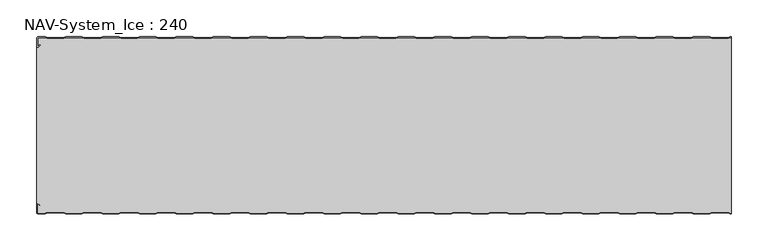
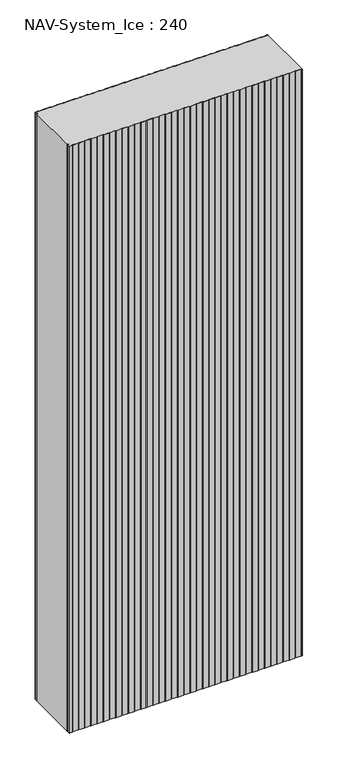
"""IFC4 building model written with IfcOpenShell, lengths in millimetres: plate geometry, NAV-System_Ice : 240."""

from ifc_helpers import new_model, si_unit, point, frame_2d, origin, origin_with_axes, place, context, project, spatial, polyline, circle_curve, trimmed, segment, composite_curve, outline, extrude, source, transform, mapped, element, save


def nav_system_ice_240_84b229b6(model_context):
    return source(origin(), model_context, "Body", "SweptSolid", [
        extrude(outline(composite_curve([segment(polyline([(469.1298221, -0.8), (466.1298221, -1.8), (443.8701779, -1.8), (440.8701779, -0.8), (419.1298221, -0.8), (416.1298221, -1.8), (393.8701779, -1.8), (390.8701779, -0.8), (369.1298221, -0.8), (366.1298221, -1.8), (343.8701779, -1.8), (340.8701779, -0.8), (319.1298221, -0.8), (316.1298221, -1.8), (293.8701779, -1.8), (290.8701779, -0.8), (269.1298221, -0.8), (266.1298221, -1.8), (243.8701779, -1.8), (240.8701779, -0.8), (219.1298221, -0.8), (216.1298221, -1.8), (193.8701779, -1.8), (190.8701779, -0.8), (169.1298221, -0.8), (166.1298221, -1.8), (143.8701779, -1.8), (140.8701779, -0.8), (119.1298221, -0.8), (116.1298221, -1.8), (93.8701779, -1.8), (90.8701779, -0.8), (69.1298221, -0.8), (66.1298221, -1.8), (43.8701779, -1.8), (40.8701779, -0.8), (19.1298221, -0.8), (16.1298221, -1.8), (-6.1298221, -1.8), (-9.1298221, -0.8), (-30.8701779, -0.8), (-33.8701779, -1.8), (-56.1298221, -1.8), (-59.1298221, -0.8), (-80.8701779, -0.8), (-83.8701779, -1.8), (-106.1298221, -1.8), (-109.1298221, -0.8), (-130.8701779, -0.8), (-133.8701779, -1.8), (-156.1298221, -1.8), (-159.1298221, -0.8), (-180.8701779, -0.8), (-183.8701779, -1.8), (-206.1298221, -1.8), (-209.1298221, -0.8), (-230.8701779, -0.8), (-233.8701779, -1.8), (-256.1298221, -1.8), (-259.1298221, -0.8), (-280.8701779, -0.8), (-283.8701779, -1.8), (-306.1298221, -1.8), (-309.1298221, -0.8), (-330.8701779, -0.8), (-333.8701779, -1.8), (-356.1298221, -1.8), (-359.1298221, -0.8), (-380.8701779, -0.8), (-383.8701779, -1.8), (-406.1298221, -1.8), (-409.1298221, -0.8), (-430.8701779, -0.8), (-433.8701779, -1.8), (-456.1298221, -1.8), (-459.1298221, -0.8), (-468.7, -0.8)]), True, "CONTINUOUS"), segment(trimmed(circle_curve(frame_2d((-468.7, -1.3)), 0.5), [point((-468.7, -0.8))], [point((-469.2, -1.3))], True, "CARTESIAN"), True, "CONTINUOUS"), segment(polyline([(-469.2, -1.3), (-469.2, -12.5857864)]), True, "CONTINUOUS"), segment(trimmed(circle_curve(frame_2d((-468.7, -12.5857864)), 0.5), [point((-469.2, -12.5857864))], [point((-468.3464466, -12.9393398))], True, "CARTESIAN"), True, "CONTINUOUS"), segment(polyline([(-468.3464466, -12.9393398), (-465.9205321, -10.5134253), (-465.3548467, -11.0791108), (-467.7807612, -13.5050253)]), True, "CONTINUOUS"), segment(trimmed(circle_curve(frame_2d((-468.7, -12.5857864)), 1.3), [point((-467.7807612, -13.5050253))], [point((-470.0, -12.5857864))], False, "CARTESIAN"), True, "CONTINUOUS"), segment(polyline([(-470.0, -12.5857864), (-470.0, -1.3)]), True, "CONTINUOUS"), segment(trimmed(circle_curve(frame_2d((-468.7, -1.3)), 1.3), [point((-470.0, -1.3))], [point((-468.7, 0.0))], False, "CARTESIAN"), True, "CONTINUOUS"), segment(polyline([(-468.7, 0.0), (-459.0, 0.0), (-456.0, -1.0), (-434.0, -1.0), (-431.0, 0.0), (-409.0, 0.0), (-406.0, -1.0), (-384.0, -1.0), (-381.0, 0.0), (-359.0, 0.0), (-356.0, -1.0), (-334.0, -1.0), (-331.0, 0.0), (-309.0, 0.0), (-306.0, -1.0), (-284.0, -1.0), (-281.0, 0.0), (-259.0, 0.0), (-256.0, -1.0), (-234.0, -1.0), (-231.0, 0.0), (-209.0, 0.0), (-206.0, -1.0), (-184.0, -1.0), (-181.0, 0.0), (-159.0, 0.0), (-156.0, -1.0), (-134.0, -1.0), (-131.0, 0.0), (-109.0, 0.0), (-106.0, -1.0), (-84.0, -1.0), (-81.0, 0.0), (-59.0, 0.0), (-56.0, -1.0), (-34.0, -1.0), (-31.0, 0.0), (-9.0, 0.0), (-6.0, -1.0), (16.0, -1.0), (19.0, 0.0), (41.0, 0.0), (44.0, -1.0), (66.0, -1.0), (69.0, 0.0), (91.0, 0.0), (94.0, -1.0), (116.0, -1.0), (119.0, 0.0), (141.0, 0.0), (144.0, -1.0), (166.0, -1.0), (169.0, 0.0), (191.0, 0.0), (194.0, -1.0), (216.0, -1.0), (219.0, 0.0), (241.0, 0.0), (244.0, -1.0), (266.0, -1.0), (269.0, 0.0), (291.0, 0.0), (294.0, -1.0), (316.0, -1.0), (319.0, 0.0), (341.0, 0.0), (344.0, -1.0), (366.0, -1.0), (369.0, 0.0), (391.0, 0.0), (394.0, -1.0), (416.0, -1.0), (419.0, 0.0), (441.0, 0.0), (444.0, -1.0), (466.0, -1.0), (469.0, 0.0), (470.0, 0.0), (470.0, -0.8), (469.1298221, -0.8)]), True, "CONTINUOUS")], self_intersect=False)), origin_with_axes(), (0.0, 0.0, 1.0), 2500.0),
        extrude(outline(composite_curve([segment(polyline([(469.1298221, -239.2), (466.1298221, -238.2), (443.8701779, -238.2), (440.8701779, -239.2), (419.1298221, -239.2), (416.1298221, -238.2), (393.8701779, -238.2), (390.8701779, -239.2), (369.1298221, -239.2), (366.1298221, -238.2), (343.8701779, -238.2), (340.8701779, -239.2), (319.1298221, -239.2), (316.1298221, -238.2), (293.8701779, -238.2), (290.8701779, -239.2), (269.1298221, -239.2), (266.1298221, -238.2), (243.8701779, -238.2), (240.8701779, -239.2), (219.1298221, -239.2), (216.1298221, -238.2), (193.8701779, -238.2), (190.8701779, -239.2), (169.1298221, -239.2), (166.1298221, -238.2), (143.8701779, -238.2), (140.8701779, -239.2), (119.1298221, -239.2), (116.1298221, -238.2), (93.8701779, -238.2), (90.8701779, -239.2), (69.1298221, -239.2), (66.1298221, -238.2), (43.8701779, -238.2), (40.8701779, -239.2), (19.1298221, -239.2), (16.1298221, -238.2), (-6.1298221, -238.2), (-9.1298221, -239.2), (-30.8701779, -239.2), (-33.8701779, -238.2), (-56.1298221, -238.2), (-59.1298221, -239.2), (-80.8701779, -239.2), (-83.8701779, -238.2), (-106.1298221, -238.2), (-109.1298221, -239.2), (-130.8701779, -239.2), (-133.8701779, -238.2), (-156.1298221, -238.2), (-159.1298221, -239.2), (-180.8701779, -239.2), (-183.8701779, -238.2), (-206.1298221, -238.2), (-209.1298221, -239.2), (-230.8701779, -239.2), (-233.8701779, -238.2), (-256.1298221, -238.2), (-259.1298221, -239.2), (-280.8701779, -239.2), (-283.8701779, -238.2), (-306.1298221, -238.2), (-309.1298221, -239.2), (-330.8701779, -239.2), (-333.8701779, -238.2), (-356.1298221, -238.2), (-359.1298221, -239.2), (-380.8701779, -239.2), (-383.8701779, -238.2), (-406.1298221, -238.2), (-409.1298221, -239.2), (-430.8701779, -239.2), (-433.8701779, -238.2), (-456.1298221, -238.2), (-459.1298221, -239.2), (-468.7, -239.2)]), True, "CONTINUOUS"), segment(trimmed(circle_curve(frame_2d((-468.7, -238.7)), 0.5), [point((-468.7, -239.2))], [point((-469.2, -238.7))], False, "CARTESIAN"), True, "CONTINUOUS"), segment(polyline([(-469.2, -238.7), (-469.2, -227.4142136)]), True, "CONTINUOUS"), segment(trimmed(circle_curve(frame_2d((-468.7, -227.4142136)), 0.5), [point((-469.2, -227.4142136))], [point((-468.3464466, -227.0606602))], False, "CARTESIAN"), True, "CONTINUOUS"), segment(polyline([(-468.3464466, -227.0606602), (-465.9205321, -229.4865747), (-465.3548467, -228.9208892), (-467.7807612, -226.4949747)]), True, "CONTINUOUS"), segment(trimmed(circle_curve(frame_2d((-468.7, -227.4142136)), 1.3), [point((-467.7807612, -226.4949747))], [point((-468.7, -226.1142136))], True, "CARTESIAN"), True, "CONTINUOUS"), segment(polyline([(-468.7, -226.1142136), (-470.0, -226.1142136), (-470.0, -13.8857864), (-468.7, -13.8857864)]), True, "CONTINUOUS"), segment(trimmed(circle_curve(frame_2d((-468.7, -12.5857864)), 1.3), [point((-468.7, -13.8857864))], [point((-467.7807612, -13.5050253))], True, "CARTESIAN"), True, "CONTINUOUS"), segment(polyline([(-467.7807612, -13.5050253), (-465.3548467, -11.0791108), (-465.9205321, -10.5134253), (-468.3464466, -12.9393398)]), True, "CONTINUOUS"), segment(trimmed(circle_curve(frame_2d((-468.7, -12.5857864)), 0.5), [point((-468.3464466, -12.9393398))], [point((-469.2, -12.5857864))], False, "CARTESIAN"), True, "CONTINUOUS"), segment(polyline([(-469.2, -12.5857864), (-469.2, -1.3)]), True, "CONTINUOUS"), segment(trimmed(circle_curve(frame_2d((-468.7, -1.3)), 0.5), [point((-469.2, -1.3))], [point((-468.7, -0.8))], False, "CARTESIAN"), True, "CONTINUOUS"), segment(polyline([(-468.7, -0.8), (-459.1298221, -0.8), (-456.1298221, -1.8), (-433.8701779, -1.8), (-430.8701779, -0.8), (-409.1298221, -0.8), (-406.1298221, -1.8), (-383.8701779, -1.8), (-380.8701779, -0.8), (-359.1298221, -0.8), (-356.1298221, -1.8), (-333.8701779, -1.8), (-330.8701779, -0.8), (-309.1298221, -0.8), (-306.1298221, -1.8), (-283.8701779, -1.8), (-280.8701779, -0.8), (-259.1298221, -0.8), (-256.1298221, -1.8), (-233.8701779, -1.8), (-230.8701779, -0.8), (-209.1298221, -0.8), (-206.1298221, -1.8), (-183.8701779, -1.8), (-180.8701779, -0.8), (-159.1298221, -0.8), (-156.1298221, -1.8), (-133.8701779, -1.8), (-130.8701779, -0.8), (-109.1298221, -0.8), (-106.1298221, -1.8), (-83.8701779, -1.8), (-80.8701779, -0.8), (-59.1298221, -0.8), (-56.1298221, -1.8), (-33.8701779, -1.8), (-30.8701779, -0.8), (-9.1298221, -0.8), (-6.1298221, -1.8), (16.1298221, -1.8), (19.1298221, -0.8), (40.8701779, -0.8), (43.8701779, -1.8), (66.1298221, -1.8), (69.1298221, -0.8), (90.8701779, -0.8), (93.8701779, -1.8), (116.1298221, -1.8), (119.1298221, -0.8), (140.8701779, -0.8), (143.8701779, -1.8), (166.1298221, -1.8), (169.1298221, -0.8), (190.8701779, -0.8), (193.8701779, -1.8), (216.1298221, -1.8), (219.1298221, -0.8), (240.8701779, -0.8), (243.8701779, -1.8), (266.1298221, -1.8), (269.1298221, -0.8), (290.8701779, -0.8), (293.8701779, -1.8), (316.1298221, -1.8), (319.1298221, -0.8), (340.8701779, -0.8), (343.8701779, -1.8), (366.1298221, -1.8), (369.1298221, -0.8), (390.8701779, -0.8), (393.8701779, -1.8), (416.1298221, -1.8), (419.1298221, -0.8), (440.8701779, -0.8), (443.8701779, -1.8), (466.1298221, -1.8), (469.1298221, -0.8), (470.0, -0.8), (470.0, -239.2), (469.1298221, -239.2)]), True, "CONTINUOUS")], self_intersect=False)), origin_with_axes(), (0.0, 0.0, 1.0), 2500.0),
        extrude(outline(composite_curve([segment(polyline([(469.0, -240.0), (466.0, -239.0), (444.0, -239.0), (441.0, -240.0), (419.0, -240.0), (416.0, -239.0), (394.0, -239.0), (391.0, -240.0), (369.0, -240.0), (366.0, -239.0), (344.0, -239.0), (341.0, -240.0), (319.0, -240.0), (316.0, -239.0), (294.0, -239.0), (291.0, -240.0), (269.0, -240.0), (266.0, -239.0), (244.0, -239.0), (241.0, -240.0), (219.0, -240.0), (216.0, -239.0), (194.0, -239.0), (191.0, -240.0), (169.0, -240.0), (166.0, -239.0), (144.0, -239.0), (141.0, -240.0), (119.0, -240.0), (116.0, -239.0), (94.0, -239.0), (91.0, -240.0), (69.0, -240.0), (66.0, -239.0), (44.0, -239.0), (41.0, -240.0), (19.0, -240.0), (16.0, -239.0), (-6.0, -239.0), (-9.0, -240.0), (-31.0, -240.0), (-34.0, -239.0), (-56.0, -239.0), (-59.0, -240.0), (-81.0, -240.0), (-84.0, -239.0), (-106.0, -239.0), (-109.0, -240.0), (-131.0, -240.0), (-134.0, -239.0), (-156.0, -239.0), (-159.0, -240.0), (-181.0, -240.0), (-184.0, -239.0), (-206.0, -239.0), (-209.0, -240.0), (-231.0, -240.0), (-234.0, -239.0), (-256.0, -239.0), (-259.0, -240.0), (-281.0, -240.0), (-284.0, -239.0), (-306.0, -239.0), (-309.0, -240.0), (-331.0, -240.0), (-334.0, -239.0), (-356.0, -239.0), (-359.0, -240.0), (-381.0, -240.0), (-384.0, -239.0), (-406.0, -239.0), (-409.0, -240.0), (-431.0, -240.0), (-434.0, -239.0), (-456.0, -239.0), (-459.0, -240.0), (-468.7, -240.0)]), True, "CONTINUOUS"), segment(trimmed(circle_curve(frame_2d((-468.7, -238.7)), 1.3), [point((-468.7, -240.0))], [point((-470.0, -238.7))], False, "CARTESIAN"), True, "CONTINUOUS"), segment(polyline([(-470.0, -238.7), (-470.0, -227.4142136)]), True, "CONTINUOUS"), segment(trimmed(circle_curve(frame_2d((-468.7, -227.4142136)), 1.3), [point((-470.0, -227.4142136))], [point((-467.7807612, -226.4949747))], False, "CARTESIAN"), True, "CONTINUOUS"), segment(polyline([(-467.7807612, -226.4949747), (-465.3548467, -228.9208892), (-465.9205321, -229.4865747), (-468.3464466, -227.0606602)]), True, "CONTINUOUS"), segment(trimmed(circle_curve(frame_2d((-468.7, -227.4142136)), 0.5), [point((-468.3464466, -227.0606602))], [point((-469.2, -227.4142136))], True, "CARTESIAN"), True, "CONTINUOUS"), segment(polyline([(-469.2, -227.4142136), (-469.2, -238.7)]), True, "CONTINUOUS"), segment(trimmed(circle_curve(frame_2d((-468.7, -238.7)), 0.5), [point((-469.2, -238.7))], [point((-468.7, -239.2))], True, "CARTESIAN"), True, "CONTINUOUS"), segment(polyline([(-468.7, -239.2), (-459.1298221, -239.2), (-456.1298221, -238.2), (-433.8701779, -238.2), (-430.8701779, -239.2), (-409.1298221, -239.2), (-406.1298221, -238.2), (-383.8701779, -238.2), (-380.8701779, -239.2), (-359.1298221, -239.2), (-356.1298221, -238.2), (-333.8701779, -238.2), (-330.8701779, -239.2), (-309.1298221, -239.2), (-306.1298221, -238.2), (-283.8701779, -238.2), (-280.8701779, -239.2), (-259.1298221, -239.2), (-256.1298221, -238.2), (-233.8701779, -238.2), (-230.8701779, -239.2), (-209.1298221, -239.2), (-206.1298221, -238.2), (-183.8701779, -238.2), (-180.8701779, -239.2), (-159.1298221, -239.2), (-156.1298221, -238.2), (-133.8701779, -238.2), (-130.8701779, -239.2), (-109.1298221, -239.2), (-106.1298221, -238.2), (-83.8701779, -238.2), (-80.8701779, -239.2), (-59.1298221, -239.2), (-56.1298221, -238.2), (-33.8701779, -238.2), (-30.8701779, -239.2), (-9.1298221, -239.2), (-6.1298221, -238.2), (16.1298221, -238.2), (19.1298221, -239.2), (40.8701779, -239.2), (43.8701779, -238.2), (66.1298221, -238.2), (69.1298221, -239.2), (90.8701779, -239.2), (93.8701779, -238.2), (116.1298221, -238.2), (119.1298221, -239.2), (140.8701779, -239.2), (143.8701779, -238.2), (166.1298221, -238.2), (169.1298221, -239.2), (190.8701779, -239.2), (193.8701779, -238.2), (216.1298221, -238.2), (219.1298221, -239.2), (240.8701779, -239.2), (243.8701779, -238.2), (266.1298221, -238.2), (269.1298221, -239.2), (290.8701779, -239.2), (293.8701779, -238.2), (316.1298221, -238.2), (319.1298221, -239.2), (340.8701779, -239.2), (343.8701779, -238.2), (366.1298221, -238.2), (369.1298221, -239.2), (390.8701779, -239.2), (393.8701779, -238.2), (416.1298221, -238.2), (419.1298221, -239.2), (440.8701779, -239.2), (443.8701779, -238.2), (466.1298221, -238.2), (469.1298221, -239.2), (470.0, -239.2), (470.0, -240.0), (469.0, -240.0)]), True, "CONTINUOUS")], self_intersect=False)), origin_with_axes(), (0.0, 0.0, 1.0), 2500.0),
    ])


if __name__ == "__main__":
    model = new_model("IFC4")
    model_context = context("Model", 3, world=origin())
    ifc_project = project(units=[si_unit("LENGTHUNIT", "METRE", prefix="MILLI")], contexts=[model_context])
    site = spatial("IfcSite", under=ifc_project)
    building = spatial("IfcBuilding", under=site)
    placement = place(None, origin())
    nav_system_ice_240_shape = nav_system_ice_240_84b229b6(model_context)
    element("IfcPlate", 1, ObjectType="NAV-System_Ice : 240", at=placement, inside=building, context=model_context, shape_type="MappedRepresentation", body=[
        mapped(nav_system_ice_240_shape, transform((0.0, 0.0, 0.0), x_axis=(1.0, 0.0, 0.0), y_axis=(0.0, 1.0, 0.0), z_axis=(0.0, 0.0, 1.0))),
    ])
    save(model, "model.ifc")
